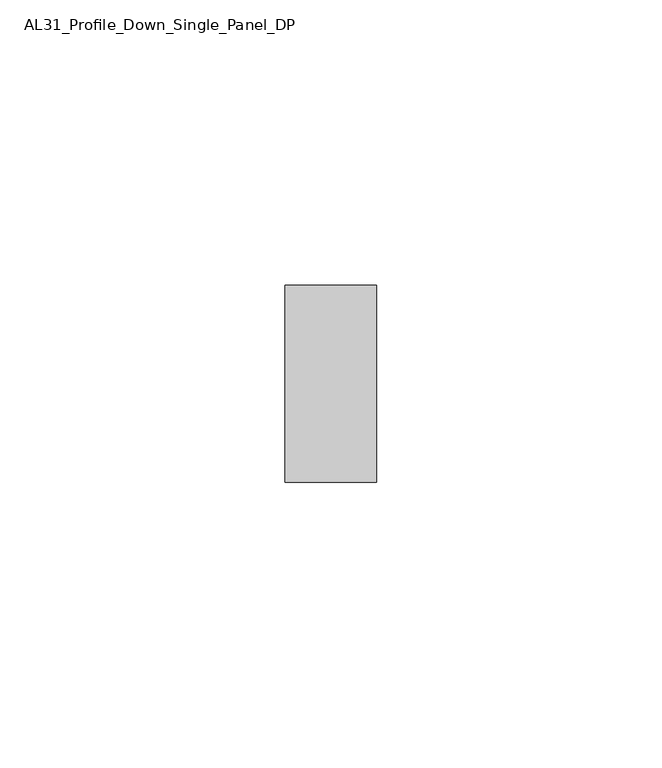
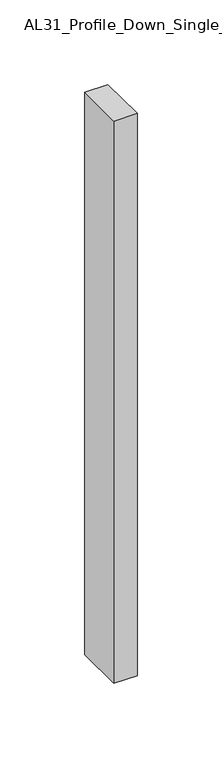
"""IFC4 building model written with IfcOpenShell, lengths in millimetres: member geometry, AL31_Profile_Down_Single_Panel_DP."""

from ifc_helpers import new_model, si_unit, frame, origin, place, context, project, spatial, polyline, outline, extrude, source, transform, mapped, element, save


def al31_profile_down_single_panel_dp_c277b970(model_context):
    return source(origin(), model_context, "Body", "SweptSolid", [
        extrude(outline(polyline([(0.0, 37.107), (0.0, 2.607), (-16.0427074, 2.607), (-16.0427074, 37.107), (0.0, 37.107)])), frame((0.0, 0.0, -406.1356516), z_axis=(0.0, 0.0, 1.0), x_axis=(1.0, 0.0, 0.0)), (0.0, 0.0, 1.0), 406.1356516),
    ])


if __name__ == "__main__":
    model = new_model("IFC4")
    model_context = context("Model", 3, world=origin())
    ifc_project = project(units=[si_unit("LENGTHUNIT", "METRE", prefix="MILLI")], contexts=[model_context])
    site = spatial("IfcSite", under=ifc_project)
    building = spatial("IfcBuilding", under=site)
    placement = place(None, origin())
    al31_profile_down_single_panel_dp_shape = al31_profile_down_single_panel_dp_c277b970(model_context)
    element("IfcMember", 1, ObjectType="AL31_Profile_Down_Single_Panel_DP", at=placement, inside=building, context=model_context, shape_type="MappedRepresentation", body=[
        mapped(al31_profile_down_single_panel_dp_shape, transform((0.0, 0.0, 0.0), x_axis=(1.0, 0.0, 0.0), y_axis=(0.0, 1.0, 0.0), z_axis=(0.0, 0.0, 1.0))),
    ])
    save(model, "model.ifc")
